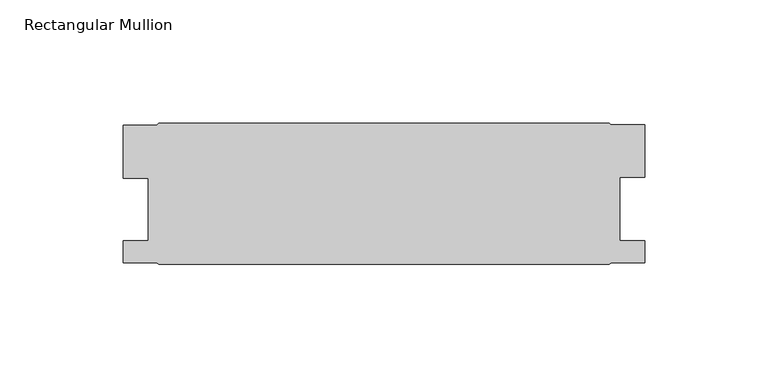
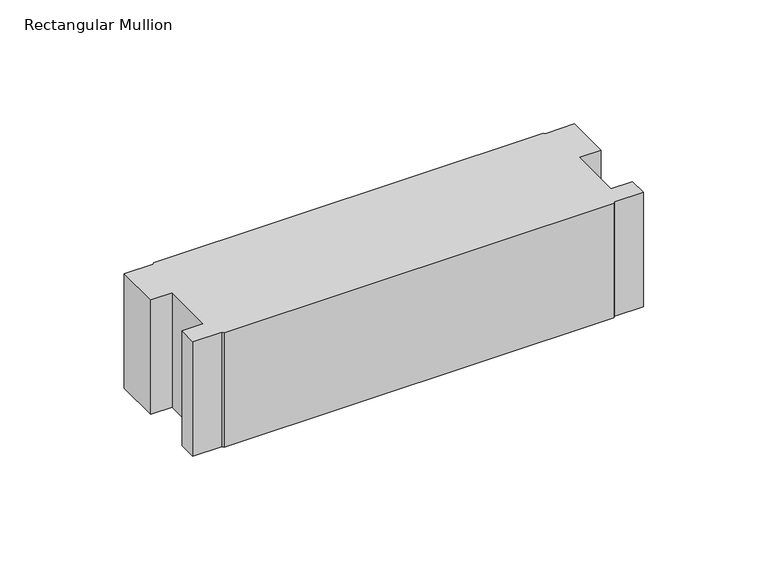
"""IFC4 building model written with IfcOpenShell, lengths in millimetres: member geometry, Rectangular Mullion."""

import ifcopenshell
import ifcopenshell.guid

model = None  # the IFC model being written
_history = None  # IfcOwnerHistory: only IFC2X3 demands one
_inside = {}  # id of a spatial element -> (the spatial element, [elements in it])
_under = {}  # id of a project, library or spatial element -> (it, [spatial elements below it])
_declared = {}  # id of a project -> (the project, [libraries it declares])
_typed = {}  # id of a type object -> (the type object, [elements of that type])
_made_of = {}  # id of a material, layer set ... -> (it, [elements and type objects made of it])


def new_model(schema):
    """Start an empty IFC model of exactly this schema.

    Asked for "IFC4X3", IfcOpenShell would pick the latest addendum, in which some entities
    have other attributes; the version numbers below select the first issue.
    IFC2X3 requires an IfcOwnerHistory on every rooted entity: one is made here for all.
    """
    global model, _history
    if schema == "IFC4X3":
        model = ifcopenshell.file(schema_version=(4, 3, 0, 0))
    else:
        model = ifcopenshell.file(schema=schema)
    _inside.clear()
    _under.clear()
    _declared.clear()
    _typed.clear()
    _made_of.clear()
    _history = None
    if model.schema == "IFC2X3":
        org = make("IfcOrganization", Name="unknown")
        user = make(
            "IfcPersonAndOrganization",
            ThePerson=make("IfcPerson", FamilyName="unknown"),
            TheOrganization=org,
        )
        app = make(
            "IfcApplication",
            ApplicationDeveloper=org,
            Version="unknown",
            ApplicationFullName="unknown",
            ApplicationIdentifier="unknown",
        )
        _history = make(
            "IfcOwnerHistory",
            OwningUser=user,
            OwningApplication=app,
            ChangeAction="ADDED",
            CreationDate=0,
        )
    return model


def make(cls, **values):
    """One entity of the class cls with the attributes given. An attribute that is None is left unset."""
    return model.create_entity(
        cls, **{name: value for name, value in values.items() if value is not None}
    )


def rooted(cls, **values):
    """An entity with a GlobalId (a new one), such as an element, a storey or a relation."""
    return make(cls, GlobalId=ifcopenshell.guid.new(), OwnerHistory=_history, **values)


def si_unit(unit_type, name, prefix=None):
    """IfcSIUnit, for example si_unit("LENGTHUNIT", "METRE", prefix="MILLI")."""
    return make("IfcSIUnit", UnitType=unit_type, Prefix=prefix, Name=name)


def assignment(units):
    """IfcUnitAssignment: the units of a project."""
    return None if units is None else make("IfcUnitAssignment", Units=units)


def point(xyz):
    """IfcCartesianPoint."""
    return None if xyz is None else make("IfcCartesianPoint", Coordinates=xyz)


def direction(xyz):
    """IfcDirection."""
    return None if xyz is None else make("IfcDirection", DirectionRatios=xyz)


def frame(location, z_axis=None, x_axis=None):
    """IfcAxis2Placement3D, a coordinate frame: its origin and axes. An axis left out is left unset."""
    return make(
        "IfcAxis2Placement3D",
        Location=point(location),
        Axis=direction(z_axis),
        RefDirection=direction(x_axis),
    )


def origin():
    """The frame at (0, 0, 0) with its axes left unset."""
    return frame((0.0, 0.0, 0.0))


def place(relative_to, where):
    """IfcLocalPlacement: puts the frame where relative to a parent placement (None: the world)."""
    return make(
        "IfcLocalPlacement", PlacementRelTo=relative_to, RelativePlacement=where
    )


def context(
    kind, dimensions, precision=None, world=None, true_north=None, identifier=None
):
    """IfcGeometricRepresentationContext, for example the 3D "Model" context."""
    return make(
        "IfcGeometricRepresentationContext",
        ContextIdentifier=identifier,
        ContextType=kind,
        CoordinateSpaceDimension=dimensions,
        Precision=precision,
        WorldCoordinateSystem=world,
        TrueNorth=true_north,
    )


def project(units=None, contexts=None):
    """IfcProject with its units and contexts."""
    return rooted(
        "IfcProject",
        Name="project",
        RepresentationContexts=contexts,
        UnitsInContext=assignment(units),
    )


def spatial(cls, under=None, at=None, **own):
    """A site, building, storey or space (cls), placed at a placement, below another one or the project."""
    s = rooted(cls, ObjectPlacement=at, **own)
    if under is not None:
        _under.setdefault(under.id(), (under, []))[1].append(s)
    return s


def polyline(points):
    """IfcPolyline through the points."""
    return make("IfcPolyline", Points=[point(p) for p in points])


def outline(outer, holes=None, kind="AREA"):
    """IfcArbitraryClosedProfileDef: a profile drawn as a closed curve; with holes, ...WithVoids."""
    if holes is None:
        return make("IfcArbitraryClosedProfileDef", ProfileType=kind, OuterCurve=outer)
    return make(
        "IfcArbitraryProfileDefWithVoids",
        ProfileType=kind,
        OuterCurve=outer,
        InnerCurves=holes,
    )


def extrude(swept, where, along, depth):
    """IfcExtrudedAreaSolid: the profile swept, set in the frame where, extruded along a direction by depth."""
    return make(
        "IfcExtrudedAreaSolid",
        SweptArea=swept,
        Position=where,
        ExtrudedDirection=direction(along),
        Depth=depth,
    )


def shape(context_of_items, identifier, shape_type, items):
    """IfcShapeRepresentation: the items that make up one representation, for example the "Body"."""
    return make(
        "IfcShapeRepresentation",
        ContextOfItems=context_of_items,
        RepresentationIdentifier=identifier,
        RepresentationType=shape_type,
        Items=items,
    )


def source(mapping_origin, context_of_items, identifier, shape_type, items):
    """IfcRepresentationMap: a shape defined once, which mapped items show again and again."""
    return make(
        "IfcRepresentationMap",
        MappingOrigin=mapping_origin,
        MappedRepresentation=shape(context_of_items, identifier, shape_type, items),
    )


def transform(
    local_origin,
    x_axis=None,
    y_axis=None,
    z_axis=None,
    scale=None,
    scale2=None,
    scale3=None,
    uniform=True,
):
    """IfcCartesianTransformationOperator3D, or its non-uniform kind. x_axis, y_axis, z_axis: its Axis1, 2, 3."""
    if uniform:
        return make(
            "IfcCartesianTransformationOperator3D",
            Axis1=direction(x_axis),
            Axis2=direction(y_axis),
            LocalOrigin=point(local_origin),
            Scale=scale,
            Axis3=direction(z_axis),
        )
    return make(
        "IfcCartesianTransformationOperator3DnonUniform",
        Axis1=direction(x_axis),
        Axis2=direction(y_axis),
        LocalOrigin=point(local_origin),
        Scale=scale,
        Axis3=direction(z_axis),
        Scale2=scale2,
        Scale3=scale3,
    )


def mapped(mapping_source, mapping_target):
    """IfcMappedItem: shows the shape of a source again, moved by a transform."""
    return make(
        "IfcMappedItem", MappingSource=mapping_source, MappingTarget=mapping_target
    )


def made_of(thing, what):
    """Note that an element or type object is made of a material, layer set ...; save() writes the relation."""
    if what is not None:
        _made_of.setdefault(what.id(), (what, []))[1].append(thing)
    return thing


def element(
    cls,
    number,
    at=None,
    inside=None,
    cuts=None,
    type_object=None,
    material=None,
    context=None,
    identifier="Body",
    shape_type=None,
    held_by="IfcProductDefinitionShape",
    body=None,
    shapes=None,
    **own,
):
    """One element of the class cls, such as IfcWall. Its Tag is "e" and its number.

    at: its placement. inside: the storey or other place that contains it. cuts: it is an
    opening in that element (IfcRelVoidsElement). A single representation is given by context,
    identifier, shape_type and body (its items); several are given by shapes. held_by: the class
    of the entity that holds the representations. save() writes the other relations.
    """
    e = rooted(cls, Tag="e%d" % number, ObjectPlacement=at, **own)
    if body is not None:
        shapes = [shape(context, identifier, shape_type, body)]
    if shapes is not None:
        e.Representation = make(held_by, Representations=shapes)
    if inside is not None:
        _inside.setdefault(inside.id(), (inside, []))[1].append(e)
    if cuts is not None:
        rooted(
            "IfcRelVoidsElement", RelatingBuildingElement=cuts, RelatedOpeningElement=e
        )
    if type_object is not None:
        _typed.setdefault(type_object.id(), (type_object, []))[1].append(e)
    return made_of(e, material)


def aggregate(whole, parts):
    """IfcRelAggregates: a whole, such as a stair, and the parts it consists of."""
    return rooted("IfcRelAggregates", RelatingObject=whole, RelatedObjects=parts)


def save(model, path):
    """Write the relations noted so far, then the file.

    IfcRelAggregates (storeys below a building ...), IfcRelContainedInSpatialStructure (elements
    in a storey), IfcRelDefinesByType, IfcRelAssociatesMaterial and IfcRelDeclares: one each for
    every whole, place, type object, material and project.
    """
    for whole, parts in _under.values():
        aggregate(whole, parts)
    for where, things in _inside.values():
        rooted(
            "IfcRelContainedInSpatialStructure",
            RelatedElements=things,
            RelatingStructure=where,
        )
    for kind, things in _typed.values():
        rooted("IfcRelDefinesByType", RelatedObjects=things, RelatingType=kind)
    for what, things in _made_of.values():
        rooted("IfcRelAssociatesMaterial", RelatedObjects=things, RelatingMaterial=what)
    for by, libraries in _declared.values():
        rooted("IfcRelDeclares", RelatingContext=by, RelatedDefinitions=libraries)
    model.write(path)


def rectangular_mullion_50450c93(model_context):
    return source(origin(), model_context, "Body", "SweptSolid", [
        extrude(outline(polyline([(-100.1793623, -38.0333254), (-100.1793623, -16.602075), (-86.6919624, -16.602075), (-85.9045625, -15.8146751), (96.6709683, -15.8146751), (97.3239175, -16.271875), (110.9457681, -16.271875), (110.9457681, -37.7031252), (100.9127683, -37.7031252), (100.9127683, -63.4333251), (110.9584683, -63.4333251), (110.9584683, -72.1709251), (97.4647283, -72.1709251), (96.6709783, -72.9646751), (-85.9045625, -72.9646751), (-86.6983125, -72.1709251), (-100.1920625, -72.1709251), (-100.1920625, -63.4333251), (-90.1590625, -63.4333251), (-90.1590625, -38.0333254), (-100.1793623, -38.0333254)])), frame((0.0, 0.0, -56.7255971), z_axis=(0.0, 0.0, 1.0), x_axis=(1.0, 0.0, 0.0)), (0.0, 0.0, 1.0), 56.7255971),
    ])


if __name__ == "__main__":
    model = new_model("IFC4")
    model_context = context("Model", 3, world=origin())
    ifc_project = project(units=[si_unit("LENGTHUNIT", "METRE", prefix="MILLI")], contexts=[model_context])
    site = spatial("IfcSite", under=ifc_project)
    building = spatial("IfcBuilding", under=site)
    placement = place(None, origin())
    rectangular_mullion_shape = rectangular_mullion_50450c93(model_context)
    element("IfcMember", 1, ObjectType="Rectangular Mullion", at=placement, inside=building, context=model_context, shape_type="MappedRepresentation", body=[
        mapped(rectangular_mullion_shape, transform((0.0, 0.0, 0.0), x_axis=(1.0, 0.0, 0.0), y_axis=(0.0, 1.0, 0.0), z_axis=(0.0, 0.0, 1.0))),
    ])
    save(model, "model.ifc")
